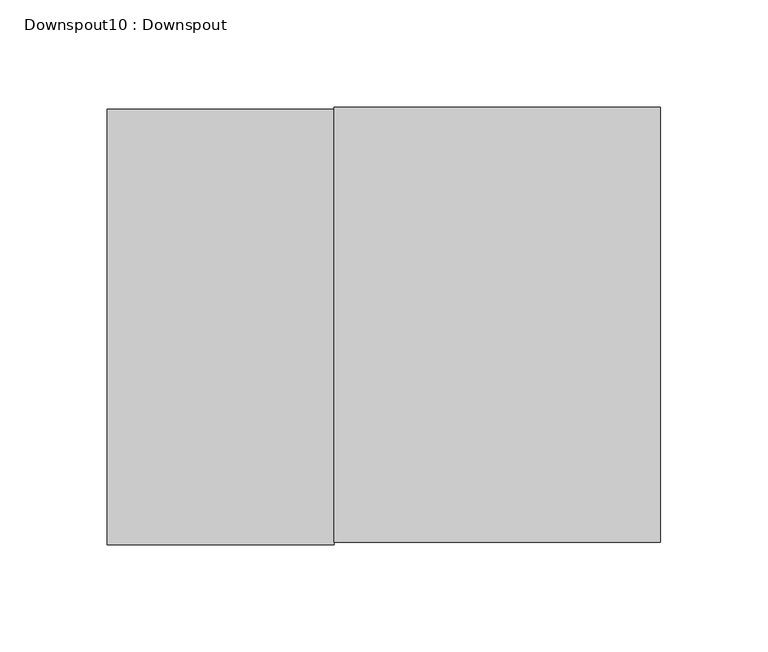
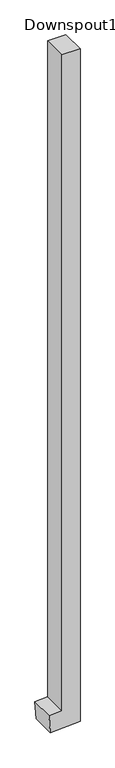
"""IFC4 building model written with IfcOpenShell, lengths in millimetres: proxy geometry, Downspout10 : Downspout."""

from ifc_helpers import new_model, si_unit, frame, origin, place, context, project, spatial, polyline, outline, extrude, source, transform, mapped, element, save


def downspout10_downspout_34dd67cd(model_context):
    return source(origin(), model_context, "Body", "SweptSolid", [
        extrude(outline(polyline([(-67.7173287, 191546.7557747), (5843.3599994, 191546.7557747), (5843.3599994, 191394.3557747), (75.4550374, 191394.3557747), (68.8238528, 191288.256821), (-83.2793602, 191297.7632718), (-67.7173287, 191546.7557747)])), frame((0.0, 263514.7980843, 0.0), z_axis=(0.0, 1.0, 0.0), x_axis=(0.0, 0.0, 1.0)), (0.0, 0.0, 1.0), 203.2),
    ])


if __name__ == "__main__":
    model = new_model("IFC4")
    model_context = context("Model", 3, world=origin())
    ifc_project = project(units=[si_unit("LENGTHUNIT", "METRE", prefix="MILLI")], contexts=[model_context])
    site = spatial("IfcSite", under=ifc_project)
    building = spatial("IfcBuilding", under=site)
    placement = place(None, origin())
    downspout10_downspout_shape = downspout10_downspout_34dd67cd(model_context)
    element("IfcBuildingElementProxy", 1, Name="Downspout10 : Downspout", ObjectType="Downspout10 : Downspout", at=placement, inside=building, context=model_context, shape_type="MappedRepresentation", body=[
        mapped(downspout10_downspout_shape, transform((0.0, 0.0, 0.0), x_axis=(1.0, 0.0, 0.0), y_axis=(0.0, 1.0, 0.0), z_axis=(0.0, 0.0, 1.0))),
    ])
    save(model, "model.ifc")
